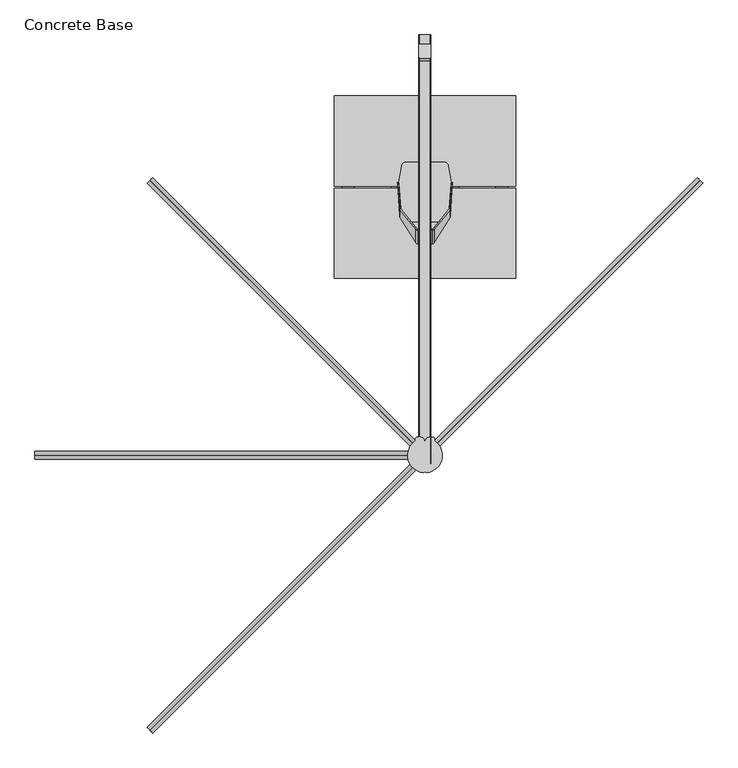
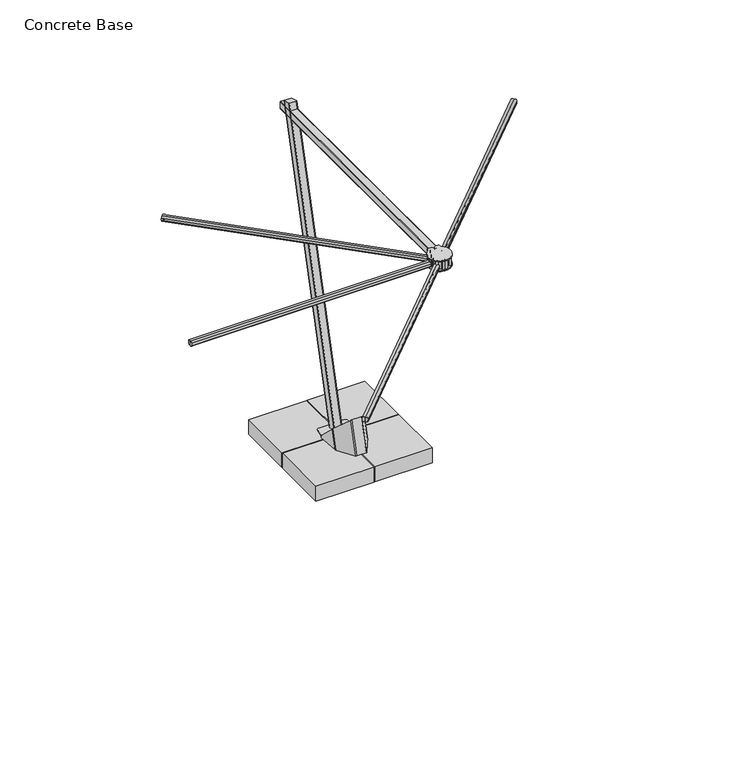
"""IFC4 building model written with IfcOpenShell, lengths in millimetres: furniture geometry, Concrete Base."""

from ifc_helpers import new_model, si_unit, point, frame, frame_2d, origin, origin_with_axes, origin_2d, place, context, project, spatial, polyline, circle_curve, ellipse_curve, trimmed, segment, composite_curve, outline, extrude, source, transform, mapped, element, save
from ifc_brep_helpers import plane_surface, cylinder_surface, revolved_surface, advanced_brep


def concrete_base_c86c8a26(model_context):
    return source(origin(), model_context, "Body", "SolidModel", [
        advanced_brep(
        [(-33.822246, 887.0321028, 113.6519289), (-29.6352703, 884.8404003, 114.2313893), (29.6352703, 884.8404003, 114.2313893), (33.822246, 887.0321028, 113.6519289), (34.8454757, 888.54763, 113.2512413), (40.8163725, 888.54763, 113.2512413), (38.0092217, 884.3898996, 114.3504964), (29.6352703, 880.0064945, 115.5094172), (-29.6352703, 880.0064945, 115.5094172), (-38.0092217, 884.3898996, 114.3504964), (-40.8163725, 888.54763, 113.2512413), (-34.8454757, 888.54763, 113.2512413), (-105.9054522, 1026.945652, 237.2767791), (-105.9054522, 994.1547574, 113.2512413), (-104.2988246, 989.1453001, 113.2512413), (-104.2988246, 1022.9836907, 241.2387403), (-38.0092217, 939.9031727, 324.3192583), (-29.6352703, 936.1940192, 328.0284118), (29.6352703, 936.1940192, 328.0284118), (38.0092217, 939.9031727, 324.3192583), (104.2988246, 989.1453001, 113.2512413), (104.2988246, 1022.9836907, 241.2387403), (105.9054522, 994.1547574, 113.2512413), (105.9054522, 1026.945652, 237.2767791), (114.4516967, 1135.7872376, 113.2512413), (113.7786087, 1130.1400169, 134.0824141), (100.9151627, 994.476925, 113.2512413), (100.9151627, 1027.2004532, 237.0219779), (108.7688793, 1130.1400169, 134.0824141), (109.4419673, 1135.7872376, 113.2512413), (100.1118489, 991.9721963, 113.2512413), (100.1118489, 1025.2194725, 239.0029585), (33.822246, 942.1389545, 322.0834765), (29.6352703, 940.2843778, 323.9380533), (-29.6352703, 940.2843778, 323.9380533), (-33.822246, 942.1389545, 322.0834765), (-100.1118489, 991.9721963, 113.2512413), (-100.1118489, 1025.2194725, 239.0029585), (-100.9151627, 994.476925, 113.2512413), (-100.9151627, 1027.2004532, 237.0219779), (-109.4419673, 1135.7872376, 113.2512413), (-108.7688793, 1130.1400169, 134.0824141), (-113.7786087, 1130.1400169, 134.0824141), (-114.4516967, 1135.7872376, 113.2512413)],
        [
            (0, 1, circle_curve(frame((-29.6352703, 889.674306, 112.9533614), z_axis=(0.0, 0.255605574331314, 0.9667811491598082), x_axis=(1.0, 0.0, 0.0)), 5.0)),
            (1, 2),
            (2, 3, circle_curve(frame((29.6352703, 889.674306, 112.9533614), z_axis=(0.0, 0.255605574331314, 0.9667811491598082), x_axis=(-1.0, 0.0, 0.0)), 5.0)),
            (3, 4),
            (4, 5),
            (5, 6),
            (6, 7, circle_curve(frame((29.6352703, 889.674306, 112.9533614), z_axis=(0.0, -0.255605574331314, -0.9667811491598082), x_axis=(-1.0, 0.0, 0.0)), 10.0)),
            (7, 8),
            (8, 9, circle_curve(frame((-29.6352703, 889.674306, 112.9533614), z_axis=(0.0, -0.255605574331314, -0.9667811491598082), x_axis=(1.0, 0.0, 0.0)), 10.0)),
            (9, 10),
            (10, 11),
            (11, 0),
            (12, 13),
            (13, 14, ellipse_curve(frame((-95.9248732, 994.7990925, 113.2512413), z_axis=(0.0, 0.0, 1.0), x_axis=(0.0, 1.0, 0.0)), 10.3436026, 10.0)),
            (14, 15),
            (15, 12, ellipse_curve(frame((-95.9248732, 1027.4552543, 236.7671767), z_axis=(0.0, -0.7071067811865491, -0.7071067811865459), x_axis=(0.0, -0.707106781186546, 0.707106781186549)), 11.5692811, 10.0)),
            (9, 16),
            (16, 15),
            (14, 10),
            (8, 17),
            (17, 16, ellipse_curve(frame((-29.6352703, 944.3747363, 319.8476947), z_axis=(0.0, -0.7071067811865491, -0.7071067811865459), x_axis=(0.0, -0.707106781186546, 0.707106781186549)), 11.5692811, 10.0)),
            (7, 18),
            (18, 17),
            (6, 19),
            (19, 18, ellipse_curve(frame((29.6352703, 944.3747363, 319.8476947), z_axis=(0.0, -0.7071067811865491, -0.7071067811865459), x_axis=(0.0, -0.707106781186546, 0.707106781186549)), 11.5692811, 10.0)),
            (5, 20),
            (20, 21),
            (21, 19),
            (20, 22, ellipse_curve(frame((95.9248732, 994.7990925, 113.2512413), z_axis=(0.0, 0.0, 1.0), x_axis=(0.0, 1.0, 0.0)), 10.3436026, 10.0)),
            (22, 23),
            (23, 21, ellipse_curve(frame((95.9248732, 1027.4552543, 236.7671767), z_axis=(0.0, -0.7071067811865491, -0.7071067811865459), x_axis=(0.0, -0.707106781186546, 0.707106781186549)), 11.5692811, 10.0)),
            (22, 24),
            (24, 25),
            (25, 23),
            (26, 27),
            (27, 28),
            (28, 29),
            (29, 26),
            (26, 30, ellipse_curve(frame((95.9248732, 994.7990925, 113.2512413), z_axis=(0.0, 0.0, -1.0), x_axis=(0.0, -1.0, 0.0)), 5.1718013, 5.0)),
            (30, 31),
            (31, 27, ellipse_curve(frame((95.9248732, 1027.4552543, 236.7671767), z_axis=(0.0, 0.7071067811865491, 0.7071067811865459), x_axis=(0.0, 0.707106781186546, -0.707106781186549)), 5.7846406, 5.0)),
            (3, 32),
            (32, 31),
            (30, 4),
            (2, 33),
            (33, 32, ellipse_curve(frame((29.6352703, 944.3747363, 319.8476947), z_axis=(0.0, 0.7071067811865491, 0.7071067811865459), x_axis=(0.0, 0.707106781186546, -0.707106781186549)), 5.7846406, 5.0)),
            (1, 34),
            (34, 33),
            (0, 35),
            (35, 34, ellipse_curve(frame((-29.6352703, 944.3747363, 319.8476947), z_axis=(0.0, 0.7071067811865491, 0.7071067811865459), x_axis=(0.0, 0.707106781186546, -0.707106781186549)), 5.7846406, 5.0)),
            (11, 36),
            (36, 37),
            (37, 35),
            (36, 38, ellipse_curve(frame((-95.9248732, 994.7990925, 113.2512413), z_axis=(0.0, 0.0, -1.0), x_axis=(0.0, -1.0, 0.0)), 5.1718013, 5.0)),
            (38, 39),
            (39, 37, ellipse_curve(frame((-95.9248732, 1027.4552543, 236.7671767), z_axis=(0.0, 0.7071067811865491, 0.7071067811865459), x_axis=(0.0, 0.707106781186546, -0.707106781186549)), 5.7846406, 5.0)),
            (38, 40),
            (40, 41),
            (41, 39),
            (12, 42),
            (42, 43),
            (43, 13),
            (25, 28),
            (41, 42),
            (24, 29),
            (40, 43),
        ],
        [
            plane_surface(frame((0.0, 911.8996002, 107.0772549), z_axis=(0.0, -0.255605574331314, -0.9667811491598082), x_axis=(1.0, 0.0, 0.0))),
            cylinder_surface(frame((-95.9248732, 1055.5927144, 343.1919528), z_axis=(0.0, 0.255605574331314, 0.9667811491598082), x_axis=(1.0, 0.0, 0.0)), 10.0),
            plane_surface(frame((-104.2988246, 1050.308308, 344.5890877), z_axis=(-0.8373951451268364, -0.5284406401930573, 0.13971349509033257), x_axis=(0.0, -0.25560557433131426, -0.9667811491598081))),
            cylinder_surface(frame((-29.6352703, 957.4097832, 369.150366), z_axis=(0.0, 0.255605574331314, 0.9667811491598082), x_axis=(1.0, 0.0, 0.0)), 10.0),
            plane_surface(frame((-29.6352703, 947.7419717, 371.7064217), z_axis=(0.0, -0.9667811491598081, 0.25560557433131426), x_axis=(0.0, -0.25560557433131426, -0.9667811491598081))),
            cylinder_surface(frame((29.6352703, 957.4097832, 369.150366), z_axis=(0.0, 0.255605574331314, 0.9667811491598082), x_axis=(-1.0, 0.0, 0.0)), 10.0),
            plane_surface(frame((38.0092217, 952.1253768, 370.5475009), z_axis=(0.8373951451268363, -0.5284406401930632, 0.13971349509031042), x_axis=(0.0, -0.2556055743313132, -0.9667811491598083))),
            cylinder_surface(frame((95.9248732, 1055.5927144, 343.1919528), z_axis=(0.0, 0.255605574331314, 0.9667811491598082), x_axis=(-1.0, 0.0, 0.0)), 10.0),
            plane_surface(frame((105.9054522, 1054.9904764, 343.3511775), z_axis=(0.9980578983179778, -0.06022380487118141, 0.01592246626434535), x_axis=(0.0, -0.25560557433131426, -0.9667811491598081))),
            plane_surface(frame((110.4057951, 1202.2989443, 304.4045497), z_axis=(-0.9980578983179778, 0.06022380487118148, -0.015922466264345264), x_axis=(0.0, -0.2556055743313137, -0.9667811491598082))),
            revolved_surface(polyline([(90.9248732, 994.461196966102, 111.97321342297556), (90.9248732, 1028.1988014823523, 239.5795074149915)]), (95.9248732, 1055.5927144, 343.1919528), (0.0, -0.255605574331314, -0.9667811491598082)),
            plane_surface(frame((100.1118489, 1052.9505112, 343.8905203), z_axis=(-0.8373951451268363, 0.5284406401930631, -0.1397134950903108), x_axis=(0.0, -0.25560557433131376, -0.9667811491598082))),
            revolved_surface(polyline([(24.6352703, 889.6743059841049, 112.95336140420244), (24.6352703, 945.1182835051063, 322.66002543910207)]), (29.6352703, 957.4097832, 369.150366), (0.0, -0.255605574331314, -0.9667811491598082)),
            plane_surface(frame((29.6352703, 952.5758775, 370.4283938), z_axis=(0.0, 0.9667811491598082, -0.25560557433131376), x_axis=(0.0, -0.25560557433131376, -0.9667811491598082))),
            revolved_surface(polyline([(-24.6352703, 889.6743059841049, 112.95336140420244), (-24.6352703, 945.1182835051063, 322.66002543910207)]), (-29.6352703, 957.4097832, 369.150366), (0.0, -0.255605574331314, -0.9667811491598082)),
            plane_surface(frame((-33.822246, 954.76758, 369.8489334), z_axis=(0.8373951451268364, 0.5284406401930574, -0.13971349509033237), x_axis=(0.0, -0.25560557433131376, -0.9667811491598082))),
            revolved_surface(polyline([(-90.9248732, 994.461196966102, 111.97321342297556), (-90.9248732, 1028.1988014823523, 239.5795074149915)]), (-95.9248732, 1055.5927144, 343.1919528), (0.0, -0.255605574331314, -0.9667811491598082)),
            plane_surface(frame((-100.9151627, 1055.2915954, 343.2715651), z_axis=(0.9980578983179779, 0.06022380487117469, -0.015922466264370983), x_axis=(0.0, -0.2556055743313142, -0.9667811491598081))),
            plane_surface(frame((-115.3960846, 1201.9978253, 304.484162), z_axis=(-0.9980578983179778, -0.06022380487117462, 0.015922466264371), x_axis=(0.0, -0.2556055743313137, -0.9667811491598082))),
            plane_surface(frame((203.9687176, 847.2973044, 416.9251266), z_axis=(0.0, 0.7071067811865491, 0.7071067811865459), x_axis=(-1.0, 0.0, 0.0))),
            plane_surface(frame((203.9687176, 1130.1400169, 134.0824141), z_axis=(0.0, 0.9651626901271211, 0.26165049510096294), x_axis=(-1.0, 0.0, 0.0))),
            plane_surface(frame((203.9687176, 1135.7872376, 113.2512413), z_axis=(0.0, 0.0, -1.0), x_axis=(-1.0, 0.0, 0.0))),
        ],
        [
            (0, [[1, 2, 3, 4, 5, 6, 7, 8, 9, 10, 11, 12]]),
            (1, [[13, 14, 15, 16]]),
            (2, [[-10, 17, 18, -15, 19]]),
            (3, [[-9, 20, 21, -17]]),
            (4, [[-8, 22, 23, -20]]),
            (5, [[-7, 24, 25, -22]]),
            (6, [[-6, 26, 27, 28, -24]]),
            (7, [[-27, 29, 30, 31]]),
            (8, [[-30, 32, 33, 34]]),
            (9, [[35, 36, 37, 38]]),
            (10, [[-35, 39, 40, 41]]),
            (11, [[-4, 42, 43, -40, 44]]),
            (12, [[-3, 45, 46, -42]]),
            (13, [[-2, 47, 48, -45]]),
            (14, [[-1, 49, 50, -47]]),
            (15, [[-12, 51, 52, 53, -49]]),
            (16, [[-52, 54, 55, 56]]),
            (17, [[-55, 57, 58, 59]]),
            (18, [[-13, 60, 61, 62]]),
            (19, [[63, -36, -41, -43, -46, -48, -50, -53, -56, -59, 64, -60, -16, -18, -21, -23, -25, -28, -31, -34]]),
            (20, [[-63, -33, 65, -37]]),
            (20, [[-64, -58, 66, -61]]),
            (21, [[-65, -32, -29, -26, -5, -44, -39, -38]]),
            (21, [[-66, -57, -54, -51, -11, -19, -14, -62]]),
        ],
    ),
        extrude(outline(composite_curve([segment(polyline([(88.7227697, 972.6817306), (-88.7228757, 972.6818958), (-99.4413408, 989.3955423)]), True, "CONTINUOUS"), segment(trimmed(circle_curve(frame_2d((-95.2324703, 992.0946919)), 5.0), [point((-99.4413408, 989.3955423))], [point((-100.2221308, 991.7733072))], False, "CARTESIAN"), True, "CONTINUOUS"), segment(polyline([(-100.2221308, 991.7733072), (-109.3968145, 1134.214923)]), True, "CONTINUOUS"), segment(trimmed(circle_curve(frame_2d((-99.4174935, 1134.8576924)), 10.0), [point((-109.3968145, 1134.214923))], [point((-109.2667547, 1136.5874477))], False, "CARTESIAN"), True, "CONTINUOUS"), segment(polyline([(-109.2667547, 1136.5874477), (-97.6409242, 1202.7851589)]), True, "CONTINUOUS"), segment(trimmed(circle_curve(frame_2d((-81.151669, 1202.7851589)), 16.4892551), [point((-97.6409242, 1202.7851589))], [point((-81.151669, 1219.2744141))], False, "CARTESIAN"), True, "CONTINUOUS"), segment(polyline([(-81.151669, 1219.2744141), (81.1496979, 1219.2744141)]), True, "CONTINUOUS"), segment(trimmed(circle_curve(frame_2d((81.1496979, 1202.7851589)), 16.4892551), [point((81.1496979, 1219.2744141))], [point((97.638953, 1202.7851589))], False, "CARTESIAN"), True, "CONTINUOUS"), segment(polyline([(97.638953, 1202.7851589), (109.2693447, 1136.5076049)]), True, "CONTINUOUS"), segment(trimmed(circle_curve(frame_2d((99.4198441, 1134.7792135)), 10.0), [point((109.2693447, 1136.5076049))], [point((109.3991237, 1134.1358023))], False, "CARTESIAN"), True, "CONTINUOUS"), segment(polyline([(109.3991237, 1134.1358023), (100.220122, 991.7698862)]), True, "CONTINUOUS"), segment(trimmed(circle_curve(frame_2d((95.2304822, 992.0915918)), 5.0), [point((100.220122, 991.7698862))], [point((99.4393527, 989.3924421))], False, "CARTESIAN"), True, "CONTINUOUS"), segment(polyline([(99.4393527, 989.3924421), (88.7227697, 972.6817306)]), True, "CONTINUOUS")], self_intersect=False)), frame((0.0, 0.0, 113.2512413), z_axis=(0.0, 0.0, 1.0), x_axis=(1.0, 0.0, 0.0)), (0.0, 0.0, 1.0), 5.0558551),
        extrude(outline(polyline([(-3.9808253, 1495.5969372), (-3.9808253, 1120.4496323), (-378.136512, 1120.4496323), (-378.136512, 1495.5969372), (-3.9808253, 1495.5969372)])), frame((0.0, 0.0, 12.1343224), z_axis=(0.0, 0.0, 1.0), x_axis=(1.0, 0.0, 0.0)), (0.0, 0.0, 1.0), 101.1169189),
        extrude(outline(polyline([(-3.9808253, 1112.467198), (-3.9808253, 737.3198931), (-378.136512, 737.3198931), (-378.136512, 1112.467198), (-3.9808253, 1112.467198)])), frame((0.0, 0.0, 12.1343224), z_axis=(0.0, 0.0, 1.0), x_axis=(1.0, 0.0, 0.0)), (0.0, 0.0, 1.0), 101.1169189),
        extrude(outline(polyline([(3.9808253, 1495.5969372), (378.136512, 1495.5969372), (378.136512, 1120.4496323), (3.9808253, 1120.4496323), (3.9808253, 1495.5969372)])), frame((0.0, 0.0, 12.1343224), z_axis=(0.0, 0.0, 1.0), x_axis=(1.0, 0.0, 0.0)), (0.0, 0.0, 1.0), 101.1169189),
        extrude(outline(polyline([(3.9808253, 1112.467198), (378.136512, 1112.467198), (378.136512, 737.3198931), (3.9808253, 737.3198931), (3.9808253, 1112.467198)])), frame((0.0, 0.0, 12.1343224), z_axis=(0.0, 0.0, 1.0), x_axis=(1.0, 0.0, 0.0)), (0.0, 0.0, 1.0), 101.1169189),
        extrude(outline(composite_curve([segment(trimmed(circle_curve(frame_2d((120.8271179, 1237.6572128)), 19.9014924), [point((120.8271179, 1257.5587051))], [point((140.7286103, 1237.6572075))], False, "CARTESIAN"), True, "CONTINUOUS"), segment(polyline([(140.7286103, 1237.6572075), (140.7285467, 995.2594033)]), True, "CONTINUOUS"), segment(trimmed(circle_curve(frame_2d((120.8267546, 995.2594085)), 19.9017921), [point((140.7285467, 995.2594033))], [point((120.8267546, 975.3576164))], False, "CARTESIAN"), True, "CONTINUOUS"), segment(polyline([(120.8267546, 975.3576164), (-120.7720159, 975.3576164)]), True, "CONTINUOUS"), segment(trimmed(circle_curve(frame_2d((-120.7720159, 995.3122124)), 19.9545959), [point((-120.7720159, 975.3576164))], [point((-140.7266119, 995.3122176))], False, "CARTESIAN"), True, "CONTINUOUS"), segment(polyline([(-140.7266119, 995.3122176), (-140.7265483, 1237.6041144)]), True, "CONTINUOUS"), segment(trimmed(circle_curve(frame_2d((-120.7719523, 1237.6041092)), 19.9545959), [point((-140.7265483, 1237.6041144))], [point((-120.7719523, 1257.5587051))], False, "CARTESIAN"), True, "CONTINUOUS"), segment(polyline([(-120.7719523, 1257.5587051), (120.8271179, 1257.5587051)]), True, "CONTINUOUS")], self_intersect=False)), frame((0.0, 0.0, 9.1012665), z_axis=(0.0, 0.0, 1.0), x_axis=(1.0, 0.0, 0.0)), (0.0, 0.0, 1.0), 5.0678403),
        extrude(outline(composite_curve([segment(trimmed(circle_curve(frame_2d((-338.3185573, 1146.389328)), 4.9887943), [point((-343.3073516, 1146.3893219))], [point((-338.3185573, 1151.3781223))], False, "CARTESIAN"), True, "CONTINUOUS"), segment(polyline([(-338.3185573, 1151.3781223), (-298.514319, 1151.3781223)]), True, "CONTINUOUS"), segment(trimmed(circle_curve(frame_2d((-298.514319, 1146.416434)), 4.9616884), [point((-298.514319, 1151.3781223))], [point((-293.5526306, 1146.4164445))], False, "CARTESIAN"), True, "CONTINUOUS"), segment(polyline([(-293.5526306, 1146.4164445), (-293.5525033, 1086.4983904)]), True, "CONTINUOUS"), segment(trimmed(circle_curve(frame_2d((-298.5141373, 1086.4983798)), 4.961634), [point((-293.5525033, 1086.4983904))], [point((-298.5141283, 1081.5367458))], False, "CARTESIAN"), True, "CONTINUOUS"), segment(polyline([(-298.5141283, 1081.5367458), (-338.3184029, 1081.5366732)]), True, "CONTINUOUS"), segment(trimmed(circle_curve(frame_2d((-338.318412, 1086.5255402)), 4.9888669), [point((-338.3184029, 1081.5366732))], [point((-343.3072789, 1086.5255341))], False, "CARTESIAN"), True, "CONTINUOUS"), segment(polyline([(-343.3072789, 1086.5255341), (-343.3073516, 1146.3893219)]), True, "CONTINUOUS")], self_intersect=False)), origin_with_axes(), (0.0, 0.0, 1.0), 14.1560186),
        extrude(outline(composite_curve([segment(trimmed(circle_curve(frame_2d((298.5285351, 1146.3905997)), 4.9887943), [point((293.5397407, 1146.3905937))], [point((298.5285351, 1151.3793941))], False, "CARTESIAN"), True, "CONTINUOUS"), segment(polyline([(298.5285351, 1151.3793941), (338.3327733, 1151.3793941)]), True, "CONTINUOUS"), segment(trimmed(circle_curve(frame_2d((338.3327733, 1146.4177057)), 4.9616884), [point((338.3327733, 1151.3793941))], [point((343.2944617, 1146.4177162))], False, "CARTESIAN"), True, "CONTINUOUS"), segment(polyline([(343.2944617, 1146.4177162), (343.294589, 1086.4996621)]), True, "CONTINUOUS"), segment(trimmed(circle_curve(frame_2d((338.332955, 1086.4996515)), 4.961634), [point((343.294589, 1086.4996621))], [point((338.3329641, 1081.5380176))], False, "CARTESIAN"), True, "CONTINUOUS"), segment(polyline([(338.3329641, 1081.5380176), (298.5286894, 1081.5379449)]), True, "CONTINUOUS"), segment(trimmed(circle_curve(frame_2d((298.5286803, 1086.5268119)), 4.9888669), [point((298.5286894, 1081.5379449))], [point((293.5398134, 1086.5268058))], False, "CARTESIAN"), True, "CONTINUOUS"), segment(polyline([(293.5398134, 1086.5268058), (293.5397407, 1146.3905937)]), True, "CONTINUOUS")], self_intersect=False)), origin_with_axes(), (0.0, 0.0, 1.0), 14.1560186),
        extrude(outline(composite_curve([segment(trimmed(circle_curve(frame_2d((-29.9376757, 778.1458577)), 4.9887943), [point((-29.9376696, 773.1570633))], [point((-34.92647, 778.1458577))], False, "CARTESIAN"), True, "CONTINUOUS"), segment(polyline([(-34.92647, 778.1458577), (-34.92647, 817.9500959)]), True, "CONTINUOUS"), segment(trimmed(circle_curve(frame_2d((-29.9647816, 817.9500959)), 4.9616884), [point((-34.92647, 817.9500959))], [point((-29.9647922, 822.9117843))], False, "CARTESIAN"), True, "CONTINUOUS"), segment(polyline([(-29.9647922, 822.9117843), (29.953262, 822.9119116)]), True, "CONTINUOUS"), segment(trimmed(circle_curve(frame_2d((29.9532725, 817.9502776)), 4.961634), [point((29.953262, 822.9119116))], [point((34.9149065, 817.9502867))], False, "CARTESIAN"), True, "CONTINUOUS"), segment(polyline([(34.9149065, 817.9502867), (34.9149791, 778.1460121)]), True, "CONTINUOUS"), segment(trimmed(circle_curve(frame_2d((29.9261122, 778.146003)), 4.9888669), [point((34.9149791, 778.1460121))], [point((29.9261182, 773.157136))], False, "CARTESIAN"), True, "CONTINUOUS"), segment(polyline([(29.9261182, 773.157136), (-29.9376696, 773.1570633)]), True, "CONTINUOUS")], self_intersect=False)), origin_with_axes(), (0.0, 0.0, 1.0), 14.1560186),
        extrude(outline(composite_curve([segment(trimmed(circle_curve(frame_2d((-29.9389474, 1414.99295)), 4.9887943), [point((-29.9389413, 1410.0041557))], [point((-34.9277417, 1414.99295))], False, "CARTESIAN"), True, "CONTINUOUS"), segment(polyline([(-34.9277417, 1414.99295), (-34.9277417, 1454.7971883)]), True, "CONTINUOUS"), segment(trimmed(circle_curve(frame_2d((-29.9660534, 1454.7971883)), 4.9616884), [point((-34.9277417, 1454.7971883))], [point((-29.9660639, 1459.7588766))], False, "CARTESIAN"), True, "CONTINUOUS"), segment(polyline([(-29.9660639, 1459.7588766), (29.9519903, 1459.7590039)]), True, "CONTINUOUS"), segment(trimmed(circle_curve(frame_2d((29.9520008, 1454.7973699)), 4.961634), [point((29.9519903, 1459.7590039))], [point((34.9136348, 1454.797379))], False, "CARTESIAN"), True, "CONTINUOUS"), segment(polyline([(34.9136348, 1454.797379), (34.9137074, 1414.9931044)]), True, "CONTINUOUS"), segment(trimmed(circle_curve(frame_2d((29.9248404, 1414.9930953)), 4.9888669), [point((34.9137074, 1414.9931044))], [point((29.9248465, 1410.0042283))], False, "CARTESIAN"), True, "CONTINUOUS"), segment(polyline([(29.9248465, 1410.0042283), (-29.9389413, 1410.0041557)]), True, "CONTINUOUS")], self_intersect=False)), origin_with_axes(), (0.0, 0.0, 1.0), 14.1560186),
        extrude(outline(composite_curve([segment(trimmed(circle_curve(frame_2d((-19.9021191, 1146.389328)), 4.9887943), [point((-24.8909135, 1146.3893219))], [point((-19.9021191, 1151.3781223))], False, "CARTESIAN"), True, "CONTINUOUS"), segment(polyline([(-19.9021191, 1151.3781223), (19.9021191, 1151.3781223)]), True, "CONTINUOUS"), segment(trimmed(circle_curve(frame_2d((19.9021191, 1146.416434)), 4.9616884), [point((19.9021191, 1151.3781223))], [point((24.8638075, 1146.4164445))], False, "CARTESIAN"), True, "CONTINUOUS"), segment(polyline([(24.8638075, 1146.4164445), (24.8639348, 1086.4983904)]), True, "CONTINUOUS"), segment(trimmed(circle_curve(frame_2d((19.9023008, 1086.4983798)), 4.961634), [point((24.8639348, 1086.4983904))], [point((19.9023099, 1081.5367458))], False, "CARTESIAN"), True, "CONTINUOUS"), segment(polyline([(19.9023099, 1081.5367458), (-19.9019647, 1081.5366732)]), True, "CONTINUOUS"), segment(trimmed(circle_curve(frame_2d((-19.9019738, 1086.5255402)), 4.9888669), [point((-19.9019647, 1081.5366732))], [point((-24.8908408, 1086.5255341))], False, "CARTESIAN"), True, "CONTINUOUS"), segment(polyline([(-24.8908408, 1086.5255341), (-24.8909135, 1146.3893219)]), True, "CONTINUOUS")], self_intersect=False)), origin_with_axes(), (0.0, 0.0, 1.0), 14.1560186),
        advanced_brep(
        [(-25.0511311, 1708.2353098, 2053.6657142), (-25.0511311, 1654.4425537, 2067.8662872), (-22.5511311, 1652.0253612, 2068.5043939), (22.2036353, 1652.0253612, 2068.5043939), (24.7036353, 1654.4425537, 2067.8662872), (24.7036353, 1708.2353098, 2053.6657142), (22.2036353, 1710.6525023, 2053.0276075), (-22.5511311, 1710.6525023, 2053.0276075), (-22.5511311, 1168.6804893, 0.0), (-25.0511311, 1166.0948451, 0.0), (22.2036353, 1168.6804893, 0.0), (24.7036353, 1166.0948451, 0.0), (24.7036353, 1108.5533264, 0.0), (22.2036353, 1105.9676822, 0.0), (-22.5511311, 1105.9676822, 0.0), (-25.0511311, 1108.5533264, 0.0)],
        [
            (0, 1),
            (1, 2, circle_curve(frame((-22.5511311, 1654.4425537, 2067.8662872), z_axis=(0.0, 0.25524268770223046, 0.9668770192607443), x_axis=(1.0, 0.0, 0.0)), 2.5)),
            (2, 3),
            (3, 4, circle_curve(frame((22.2036353, 1654.4425537, 2067.8662872), z_axis=(0.0, 0.25524268770223046, 0.9668770192607443), x_axis=(1.0, 0.0, 0.0)), 2.5)),
            (4, 5),
            (5, 6, circle_curve(frame((22.2036353, 1708.2353098, 2053.6657142), z_axis=(0.0, 0.25524268770223046, 0.9668770192607443), x_axis=(1.0, 0.0, 0.0)), 2.5)),
            (6, 7),
            (7, 0, circle_curve(frame((-22.5511311, 1708.2353098, 2053.6657142), z_axis=(0.0, 0.25524268770223046, 0.9668770192607443), x_axis=(1.0, 0.0, 0.0)), 2.5)),
            (7, 8),
            (8, 9, ellipse_curve(frame((-22.5511311, 1166.0948451, 0.0), z_axis=(0.0, 0.0, 1.0), x_axis=(0.0, -1.0, 0.0)), 2.5856442, 2.5)),
            (9, 0),
            (6, 10),
            (10, 8),
            (5, 11),
            (11, 10, ellipse_curve(frame((22.2036353, 1166.0948451, 0.0), z_axis=(0.0, 0.0, 1.0), x_axis=(0.0, -1.0, 0.0)), 2.5856442, 2.5)),
            (4, 12),
            (12, 11),
            (3, 13),
            (13, 12, ellipse_curve(frame((22.2036353, 1108.5533264, 0.0), z_axis=(0.0, 0.0, 1.0), x_axis=(0.0, -1.0, 0.0)), 2.5856442, 2.5)),
            (2, 14),
            (14, 13),
            (1, 15),
            (15, 14, ellipse_curve(frame((-22.5511311, 1108.5533264, 0.0), z_axis=(0.0, 0.0, 1.0), x_axis=(0.0, -1.0, 0.0)), 2.5856442, 2.5)),
            (9, 15),
        ],
        [
            plane_surface(frame((-20.0511311, 1708.2353098, 2053.6657142), z_axis=(0.0, 0.25524268770223046, 0.9668770192607443), x_axis=(0.0, 0.9668770192607443, -0.25524268770223046))),
            cylinder_surface(frame((-22.5511311, 1708.2353098, 2053.6657142), z_axis=(0.0, -0.25524268770223046, -0.9668770192607443), x_axis=(1.0, 0.0, 0.0)), 2.5),
            plane_surface(frame((-22.5511311, 1144.624497, -91.1257688), z_axis=(0.0, 0.9668770192607442, -0.2552426877022305), x_axis=(0.0, 0.2552426877022305, 0.9668770192607442))),
            cylinder_surface(frame((22.2036353, 1708.2353098, 2053.6657142), z_axis=(0.0, -0.25524268770223046, -0.9668770192607443), x_axis=(1.0, 0.0, 0.0)), 2.5),
            plane_surface(frame((24.7036353, 1142.2073044, -90.4876621), z_axis=(1.0, 0.0, 0.0), x_axis=(0.0, 0.2552426877022305, 0.9668770192607442))),
            cylinder_surface(frame((22.2036353, 1654.4425537, 2067.8662872), z_axis=(0.0, -0.25524268770223046, -0.9668770192607443), x_axis=(1.0, 0.0, 0.0)), 2.5),
            plane_surface(frame((22.2036353, 1085.9973558, -75.6489824), z_axis=(0.0, -0.9668770192607443, 0.2552426877022305), x_axis=(0.0, 0.2552426877022305, 0.9668770192607443))),
            cylinder_surface(frame((-22.5511311, 1654.4425537, 2067.8662872), z_axis=(0.0, -0.25524268770223046, -0.9668770192607443), x_axis=(1.0, 0.0, 0.0)), 2.5),
            plane_surface(frame((-25.0511311, 1088.4145484, -76.2870891), z_axis=(-1.0000000000000002, 0.0, 0.0), x_axis=(0.0, 0.2552426877022305, 0.9668770192607443))),
            plane_surface(frame((250.0, 1307.8248584, 0.0), z_axis=(0.0, 0.0, -1.0), x_axis=(-1.0, 0.0, 0.0))),
        ],
        [
            (0, [[1, 2, 3, 4, 5, 6, 7, 8]]),
            (1, [[-8, 9, 10, 11]]),
            (2, [[-7, 12, 13, -9]]),
            (3, [[-6, 14, 15, -12]]),
            (4, [[-5, 16, 17, -14]]),
            (5, [[-4, 18, 19, -16]]),
            (6, [[-3, 20, 21, -18]]),
            (7, [[-2, 22, 23, -20]]),
            (8, [[-1, -11, 24, -22]]),
            (9, [[-10, -13, -15, -17, -19, -21, -23, -24]]),
        ],
    ),
        advanced_brep(
        [(16.2870517, 0.0, 2000.2326571), (-16.2870517, 0.0, 2000.2326571), (0.0, 0.0, 2000.2326571), (16.2870517, 0.0, 1965.7051642), (-16.2870517, 0.0, 1965.7051642), (20.1934078, 0.0, 1955.6090726), (-20.1934078, 0.0, 1955.6090726), (0.0, 0.0, 1909.9274535)],
        [
            (0, 1, circle_curve(frame((0.0, 0.0, 2000.2326571), z_axis=(0.0, 0.0, 1.0), x_axis=(-1.0, 0.0, 0.0)), 16.2870517)),
            (1, 2),
            (2, 0),
            (1, 0, circle_curve(frame((0.0, 0.0, 2000.2326571), z_axis=(0.0, 0.0, 1.0), x_axis=(-1.0, 0.0, 0.0)), 16.2870517)),
            (3, 4, circle_curve(frame((0.0, 0.0, 1965.7051642), z_axis=(0.0, 0.0, 1.0), x_axis=(-1.0, 0.0, 0.0)), 16.2870517)),
            (4, 1),
            (0, 3),
            (4, 3, circle_curve(frame((0.0, 0.0, 1965.7051642), z_axis=(0.0, 0.0, 1.0), x_axis=(-1.0, 0.0, 0.0)), 16.2870517)),
            (5, 6, circle_curve(frame((0.0, 0.0, 1955.6090726), z_axis=(0.0, 0.0, 1.0), x_axis=(-1.0, 0.0, 0.0)), 20.1934078)),
            (6, 4, circle_curve(frame((-31.2870517, 0.0, 1965.7051642), z_axis=(0.0, -1.0, 0.0), x_axis=(1.0, 0.0, 0.0)), 15.0)),
            (3, 5, circle_curve(frame((31.2870517, 0.0, 1965.7051642), z_axis=(0.0, -1.0, 0.0), x_axis=(-1.0, 0.0, 0.0)), 15.0)),
            (6, 5, circle_curve(frame((0.0, 0.0, 1955.6090726), z_axis=(0.0, 0.0, 1.0), x_axis=(-1.0, 0.0, 0.0)), 20.1934078)),
            (7, 6, circle_curve(frame((0.0, 0.0, 1937.2314774), z_axis=(0.0, 1.0, 0.0), x_axis=(1.0, 0.0, 0.0)), 27.304024)),
            (5, 7, circle_curve(frame((0.0, 0.0, 1937.2314774), z_axis=(0.0, 1.0, 0.0), x_axis=(-1.0, 0.0, 0.0)), 27.304024)),
        ],
        [
            plane_surface(frame((0.0, 0.0, 2000.2326571), z_axis=(0.0, 0.0, 1.0), x_axis=(-1.0, 0.0, 0.0))),
            cylinder_surface(frame((0.0, 0.0, 2043.311979), z_axis=(0.0, 0.0, -1.0), x_axis=(-1.0, 0.0, 0.0)), 16.2870517),
            revolved_surface(trimmed(ellipse_curve(frame((-31.2870517, 0.0, 1965.7051642), z_axis=(0.0, 1.0, 0.0), x_axis=(1.0, 0.0, 0.0)), 15.0, 15.0), [point((-16.2870517, 0.0, 1965.7051642))], [point((-20.1934078, 0.0, 1955.6090726))], True, "CARTESIAN"), (0.0, 0.0, 2043.311979), (0.0, 0.0, -1.0)),
            revolved_surface(trimmed(ellipse_curve(frame((0.0, 0.0, 1937.2314774), z_axis=(0.0, -1.0, 0.0), x_axis=(1.0, 0.0, 0.0)), 27.304024, 27.304024), [point((-20.1934078, 0.0, 1955.6090726))], [point((0.0, 0.0, 1909.9274535))], True, "CARTESIAN"), (0.0, 0.0, 2043.311979), (0.0, 0.0, -1.0)),
        ],
        [
            (0, [[1, 2, 3]]),
            (0, [[4, -3, -2]]),
            (1, [[5, 6, -1, 7]]),
            (1, [[8, -7, -4, -6]]),
            (2, [[9, 10, -5, 11]]),
            (2, [[12, -11, -8, -10]]),
            (3, [[13, -9, 14]]),
            (3, [[-14, -12, -13]]),
        ],
    ),
        extrude(outline(composite_curve([segment(trimmed(circle_curve(frame_2d((1975.1764069, -22.5511311)), 2.5), [point((1975.1764069, -25.0511311))], [point((1972.6764069, -22.5511311))], False, "CARTESIAN"), True, "CONTINUOUS"), segment(polyline([(1972.6764069, -22.5511311), (1972.6764069, 22.2036353)]), True, "CONTINUOUS"), segment(trimmed(circle_curve(frame_2d((1975.1764069, 22.2036353)), 2.5), [point((1972.6764069, 22.2036353))], [point((1975.1764069, 24.7036353))], False, "CARTESIAN"), True, "CONTINUOUS"), segment(polyline([(1975.1764069, 24.7036353), (2020.811979, 24.7036353)]), True, "CONTINUOUS"), segment(trimmed(circle_curve(frame_2d((2020.811979, 22.2036353)), 2.5), [point((2020.811979, 24.7036353))], [point((2023.311979, 22.2036353))], False, "CARTESIAN"), True, "CONTINUOUS"), segment(polyline([(2023.311979, 22.2036353), (2023.311979, -22.5511311)]), True, "CONTINUOUS"), segment(trimmed(circle_curve(frame_2d((2020.811979, -22.5511311)), 2.5), [point((2023.311979, -22.5511311))], [point((2020.811979, -25.0511311))], False, "CARTESIAN"), True, "CONTINUOUS"), segment(polyline([(2020.811979, -25.0511311), (1975.1764069, -25.0511311)]), True, "CONTINUOUS")], self_intersect=False)), frame((0.0, -34.3669203, 0.0), z_axis=(0.0, 1.0, 0.0), x_axis=(0.0, 0.0, 1.0)), (0.0, 0.0, 1.0), 1783.3906351),
        extrude(outline(composite_curve([segment(trimmed(circle_curve(frame_2d((-19.9017724, 56.4216031)), 7.9818772), [point((-27.8836496, 56.4216031))], [point((-11.9198953, 56.4216031))], False, "CARTESIAN"), True, "CONTINUOUS"), segment(trimmed(circle_curve(frame_2d((-19.9017724, 56.4216031)), 7.9818772), [point((-11.9198953, 56.4216031))], [point((-27.8836496, 56.4216031))], False, "CARTESIAN"), True, "CONTINUOUS")], self_intersect=False)), frame((0.0, 0.0, 1962.5492634), z_axis=(0.0, 0.0, 1.0), x_axis=(1.0, 0.0, 0.0)), (0.0, 0.0, 1.0), 60.7627155),
        extrude(outline(composite_curve([segment(trimmed(circle_curve(frame_2d((-42.2181655, 42.3115907)), 7.9818772), [point((-50.2000427, 42.3115907))], [point((-34.2362884, 42.3115907))], False, "CARTESIAN"), True, "CONTINUOUS"), segment(trimmed(circle_curve(frame_2d((-42.2181655, 42.3115907)), 7.9818772), [point((-34.2362884, 42.3115907))], [point((-50.2000427, 42.3115907))], False, "CARTESIAN"), True, "CONTINUOUS")], self_intersect=False)), frame((0.0, 0.0, 1962.5492634), z_axis=(0.0, 0.0, 1.0), x_axis=(1.0, 0.0, 0.0)), (0.0, 0.0, 1.0), 60.7627155),
        extrude(outline(composite_curve([segment(trimmed(circle_curve(frame_2d((-34.8281892, 20.2469389)), 7.9818772), [point((-42.8100664, 20.2469389))], [point((-26.846312, 20.2469389))], False, "CARTESIAN"), True, "CONTINUOUS"), segment(trimmed(circle_curve(frame_2d((-34.8281892, 20.2469389)), 7.9818772), [point((-26.846312, 20.2469389))], [point((-42.8100664, 20.2469389))], False, "CARTESIAN"), True, "CONTINUOUS")], self_intersect=False)), frame((0.0, 0.0, 1962.5492634), z_axis=(0.0, 0.0, 1.0), x_axis=(1.0, 0.0, 0.0)), (0.0, 0.0, 1.0), 60.7627155),
        extrude(outline(composite_curve([segment(trimmed(circle_curve(frame_2d((-59.7055202, -0.0186323)), 7.9818772), [point((-67.6873974, -0.0186323))], [point((-51.723643, -0.0186323))], False, "CARTESIAN"), True, "CONTINUOUS"), segment(trimmed(circle_curve(frame_2d((-59.7055202, -0.0186323)), 7.9818772), [point((-51.723643, -0.0186323))], [point((-67.6873974, -0.0186323))], False, "CARTESIAN"), True, "CONTINUOUS")], self_intersect=False)), frame((0.0, 0.0, 1962.5492634), z_axis=(0.0, 0.0, 1.0), x_axis=(1.0, 0.0, 0.0)), (0.0, 0.0, 1.0), 60.7627155),
        extrude(outline(composite_curve([segment(trimmed(circle_curve(frame_2d((-43.2116596, -18.2831425)), 7.9818772), [point((-51.1935368, -18.2831425))], [point((-35.2297824, -18.2831425))], False, "CARTESIAN"), True, "CONTINUOUS"), segment(trimmed(circle_curve(frame_2d((-43.2116596, -18.2831425)), 7.9818772), [point((-35.2297824, -18.2831425))], [point((-51.1935368, -18.2831425))], False, "CARTESIAN"), True, "CONTINUOUS")], self_intersect=False)), frame((0.0, 0.0, 1962.5492634), z_axis=(0.0, 0.0, 1.0), x_axis=(1.0, 0.0, 0.0)), (0.0, 0.0, 1.0), 60.7627155),
        extrude(outline(composite_curve([segment(trimmed(circle_curve(frame_2d((-42.2181519, -42.3487975)), 7.9818772), [point((-50.2000291, -42.3487975))], [point((-34.2362747, -42.3487975))], False, "CARTESIAN"), True, "CONTINUOUS"), segment(trimmed(circle_curve(frame_2d((-42.2181519, -42.3487975)), 7.9818772), [point((-34.2362747, -42.3487975))], [point((-50.2000291, -42.3487975))], False, "CARTESIAN"), True, "CONTINUOUS")], self_intersect=False)), frame((0.0, 0.0, 1962.5492634), z_axis=(0.0, 0.0, 1.0), x_axis=(1.0, 0.0, 0.0)), (0.0, 0.0, 1.0), 60.7627155),
        extrude(outline(composite_curve([segment(trimmed(circle_curve(frame_2d((-21.8919489, -43.3150448)), 7.9818772), [point((-29.8738261, -43.3150448))], [point((-13.9100717, -43.3150448))], False, "CARTESIAN"), True, "CONTINUOUS"), segment(trimmed(circle_curve(frame_2d((-21.8919489, -43.3150448)), 7.9818772), [point((-13.9100717, -43.3150448))], [point((-29.8738261, -43.3150448))], False, "CARTESIAN"), True, "CONTINUOUS")], self_intersect=False)), frame((0.0, 0.0, 1962.5492634), z_axis=(0.0, 0.0, 1.0), x_axis=(1.0, 0.0, 0.0)), (0.0, 0.0, 1.0), 60.7627155),
        extrude(outline(composite_curve([segment(trimmed(circle_curve(frame_2d((-8.458177, -59.2788142)), 7.9818772), [point((-16.4400542, -59.2788142))], [point((-0.4762998, -59.2788142))], False, "CARTESIAN"), True, "CONTINUOUS"), segment(trimmed(circle_curve(frame_2d((-8.458177, -59.2788142)), 7.9818772), [point((-0.4762998, -59.2788142))], [point((-16.4400542, -59.2788142))], False, "CARTESIAN"), True, "CONTINUOUS")], self_intersect=False)), frame((0.0, 0.0, 1962.5492634), z_axis=(0.0, 0.0, 1.0), x_axis=(1.0, 0.0, 0.0)), (0.0, 0.0, 1.0), 60.7627155),
        extrude(outline(composite_curve([segment(trimmed(circle_curve(frame_2d((19.9017724, 56.4216031)), 7.9818772), [point((27.8836496, 56.4216031))], [point((11.9198953, 56.4216031))], False, "CARTESIAN"), True, "CONTINUOUS"), segment(trimmed(circle_curve(frame_2d((19.9017724, 56.4216031)), 7.9818772), [point((11.9198953, 56.4216031))], [point((27.8836496, 56.4216031))], False, "CARTESIAN"), True, "CONTINUOUS")], self_intersect=False)), frame((0.0, 0.0, 1962.5492634), z_axis=(0.0, 0.0, 1.0), x_axis=(1.0, 0.0, 0.0)), (0.0, 0.0, 1.0), 60.7627155),
        extrude(outline(composite_curve([segment(trimmed(circle_curve(frame_2d((42.2181655, 42.3115907)), 7.9818772), [point((50.2000427, 42.3115907))], [point((34.2362884, 42.3115907))], False, "CARTESIAN"), True, "CONTINUOUS"), segment(trimmed(circle_curve(frame_2d((42.2181655, 42.3115907)), 7.9818772), [point((34.2362884, 42.3115907))], [point((50.2000427, 42.3115907))], False, "CARTESIAN"), True, "CONTINUOUS")], self_intersect=False)), frame((0.0, 0.0, 1962.5492634), z_axis=(0.0, 0.0, 1.0), x_axis=(1.0, 0.0, 0.0)), (0.0, 0.0, 1.0), 60.7627155),
        extrude(outline(composite_curve([segment(trimmed(circle_curve(frame_2d((34.8281892, 20.2469389)), 7.9818772), [point((42.8100664, 20.2469389))], [point((26.846312, 20.2469389))], False, "CARTESIAN"), True, "CONTINUOUS"), segment(trimmed(circle_curve(frame_2d((34.8281892, 20.2469389)), 7.9818772), [point((26.846312, 20.2469389))], [point((42.8100664, 20.2469389))], False, "CARTESIAN"), True, "CONTINUOUS")], self_intersect=False)), frame((0.0, 0.0, 1962.5492634), z_axis=(0.0, 0.0, 1.0), x_axis=(1.0, 0.0, 0.0)), (0.0, 0.0, 1.0), 60.7627155),
        extrude(outline(composite_curve([segment(trimmed(circle_curve(frame_2d((59.7055202, -0.0186323)), 7.9818772), [point((67.6873974, -0.0186323))], [point((51.723643, -0.0186323))], False, "CARTESIAN"), True, "CONTINUOUS"), segment(trimmed(circle_curve(frame_2d((59.7055202, -0.0186323)), 7.9818772), [point((51.723643, -0.0186323))], [point((67.6873974, -0.0186323))], False, "CARTESIAN"), True, "CONTINUOUS")], self_intersect=False)), frame((0.0, 0.0, 1962.5492634), z_axis=(0.0, 0.0, 1.0), x_axis=(1.0, 0.0, 0.0)), (0.0, 0.0, 1.0), 60.7627155),
        extrude(outline(composite_curve([segment(trimmed(circle_curve(frame_2d((43.2116596, -18.2831425)), 7.9818772), [point((51.1935368, -18.2831425))], [point((35.2297824, -18.2831425))], False, "CARTESIAN"), True, "CONTINUOUS"), segment(trimmed(circle_curve(frame_2d((43.2116596, -18.2831425)), 7.9818772), [point((35.2297824, -18.2831425))], [point((51.1935368, -18.2831425))], False, "CARTESIAN"), True, "CONTINUOUS")], self_intersect=False)), frame((0.0, 0.0, 1962.5492634), z_axis=(0.0, 0.0, 1.0), x_axis=(1.0, 0.0, 0.0)), (0.0, 0.0, 1.0), 60.7627155),
        extrude(outline(composite_curve([segment(trimmed(circle_curve(frame_2d((42.2181519, -42.3487975)), 7.9818772), [point((50.2000291, -42.3487975))], [point((34.2362747, -42.3487975))], False, "CARTESIAN"), True, "CONTINUOUS"), segment(trimmed(circle_curve(frame_2d((42.2181519, -42.3487975)), 7.9818772), [point((34.2362747, -42.3487975))], [point((50.2000291, -42.3487975))], False, "CARTESIAN"), True, "CONTINUOUS")], self_intersect=False)), frame((0.0, 0.0, 1962.5492634), z_axis=(0.0, 0.0, 1.0), x_axis=(1.0, 0.0, 0.0)), (0.0, 0.0, 1.0), 60.7627155),
        extrude(outline(composite_curve([segment(trimmed(circle_curve(frame_2d((21.8919489, -43.3150448)), 7.9818772), [point((29.8738261, -43.3150448))], [point((13.9100717, -43.3150448))], False, "CARTESIAN"), True, "CONTINUOUS"), segment(trimmed(circle_curve(frame_2d((21.8919489, -43.3150448)), 7.9818772), [point((13.9100717, -43.3150448))], [point((29.8738261, -43.3150448))], False, "CARTESIAN"), True, "CONTINUOUS")], self_intersect=False)), frame((0.0, 0.0, 1962.5492634), z_axis=(0.0, 0.0, 1.0), x_axis=(1.0, 0.0, 0.0)), (0.0, 0.0, 1.0), 60.7627155),
        extrude(outline(composite_curve([segment(trimmed(circle_curve(frame_2d((8.458177, -59.2788142)), 7.9818772), [point((16.4400542, -59.2788142))], [point((0.4762998, -59.2788142))], False, "CARTESIAN"), True, "CONTINUOUS"), segment(trimmed(circle_curve(frame_2d((8.458177, -59.2788142)), 7.9818772), [point((0.4762998, -59.2788142))], [point((16.4400542, -59.2788142))], False, "CARTESIAN"), True, "CONTINUOUS")], self_intersect=False)), frame((0.0, 0.0, 1962.5492634), z_axis=(0.0, 0.0, 1.0), x_axis=(1.0, 0.0, 0.0)), (0.0, 0.0, 1.0), 60.7627155),
        extrude(outline(composite_curve([segment(trimmed(circle_curve(origin_2d(), 71.8540359), [point((-4.5191853, -71.7117803))], [point((-43.9448682, 56.8493714))], False, "CARTESIAN"), True, "CONTINUOUS"), segment(trimmed(circle_curve(frame_2d((-50.573408, 65.424396)), 10.8382926), [point((-43.9448682, 56.8493714))], [point((-39.8036599, 64.2073863))], True, "CARTESIAN"), True, "CONTINUOUS"), segment(trimmed(circle_curve(frame_2d((-30.4249346, 66.8284602)), 9.7380962), [point((-39.8036599, 64.2073863))], [point((-32.3404595, 76.3763019))], False, "CARTESIAN"), True, "CONTINUOUS"), segment(trimmed(circle_curve(frame_2d((-26.121116, 45.3762832)), 31.6177387), [point((-32.3404595, 76.3763019))], [point((-5.4271234, 69.2810958))], False, "CARTESIAN"), True, "CONTINUOUS"), segment(polyline([(-5.4271234, 69.2810958), (0.0, 56.4219513), (5.4271234, 69.2810958)]), True, "CONTINUOUS"), segment(trimmed(circle_curve(frame_2d((26.121116, 45.3762832)), 31.6177387), [point((5.4271234, 69.2810958))], [point((32.3404595, 76.3763019))], False, "CARTESIAN"), True, "CONTINUOUS"), segment(trimmed(circle_curve(frame_2d((30.4249346, 66.8284602)), 9.7380962), [point((32.3404595, 76.3763019))], [point((39.8036599, 64.2073863))], False, "CARTESIAN"), True, "CONTINUOUS"), segment(trimmed(circle_curve(frame_2d((50.573408, 65.424396)), 10.8382926), [point((39.8036599, 64.2073863))], [point((43.9448682, 56.8493714))], True, "CARTESIAN"), True, "CONTINUOUS"), segment(trimmed(circle_curve(origin_2d(), 71.8540359), [point((43.9448682, 56.8493714))], [point((4.5191853, -71.7117803))], False, "CARTESIAN"), True, "CONTINUOUS"), segment(polyline([(4.5191853, -71.7117803), (0.0, -67.180579), (-4.5191853, -71.7117803)]), True, "CONTINUOUS")], self_intersect=False), holes=[composite_curve([segment(trimmed(circle_curve(origin_2d(), 27.3763878), [point((-27.3763878, 0.0))], [point((27.3763878, 0.0))], True, "CARTESIAN"), True, "CONTINUOUS"), segment(trimmed(circle_curve(origin_2d(), 27.3763878), [point((27.3763878, 0.0))], [point((-27.3763878, 0.0))], True, "CARTESIAN"), True, "CONTINUOUS")], self_intersect=False)]), frame((0.0, 0.0, 1957.4859097), z_axis=(0.0, 0.0, 1.0), x_axis=(1.0, 0.0, 0.0)), (0.0, 0.0, 1.0), 5.0634991),
        extrude(outline(composite_curve([segment(trimmed(circle_curve(origin_2d(), 71.8540359), [point((-4.5191853, -71.7117803))], [point((-43.9448682, 56.8493714))], False, "CARTESIAN"), True, "CONTINUOUS"), segment(trimmed(circle_curve(frame_2d((-50.573408, 65.424396)), 10.8382926), [point((-43.9448682, 56.8493714))], [point((-39.8036599, 64.2073863))], True, "CARTESIAN"), True, "CONTINUOUS"), segment(trimmed(circle_curve(frame_2d((-30.4249346, 66.8284602)), 9.7380962), [point((-39.8036599, 64.2073863))], [point((-32.3404595, 76.3763019))], False, "CARTESIAN"), True, "CONTINUOUS"), segment(trimmed(circle_curve(frame_2d((-26.121116, 45.3762832)), 31.6177387), [point((-32.3404595, 76.3763019))], [point((-5.4271234, 69.2810958))], False, "CARTESIAN"), True, "CONTINUOUS"), segment(polyline([(-5.4271234, 69.2810958), (0.0, 56.4219513), (5.4271234, 69.2810958)]), True, "CONTINUOUS"), segment(trimmed(circle_curve(frame_2d((26.121116, 45.3762832)), 31.6177387), [point((5.4271234, 69.2810958))], [point((32.3404595, 76.3763019))], False, "CARTESIAN"), True, "CONTINUOUS"), segment(trimmed(circle_curve(frame_2d((30.4249346, 66.8284602)), 9.7380962), [point((32.3404595, 76.3763019))], [point((39.8036599, 64.2073863))], False, "CARTESIAN"), True, "CONTINUOUS"), segment(trimmed(circle_curve(frame_2d((50.573408, 65.424396)), 10.8382926), [point((39.8036599, 64.2073863))], [point((43.9448682, 56.8493714))], True, "CARTESIAN"), True, "CONTINUOUS"), segment(trimmed(circle_curve(origin_2d(), 71.8540359), [point((43.9448682, 56.8493714))], [point((4.5191853, -71.7117803))], False, "CARTESIAN"), True, "CONTINUOUS"), segment(polyline([(4.5191853, -71.7117803), (0.0, -67.180579), (-4.5191853, -71.7117803)]), True, "CONTINUOUS")], self_intersect=False)), frame((0.0, 0.0, 2023.311979), z_axis=(0.0, 0.0, 1.0), x_axis=(1.0, 0.0, 0.0)), (0.0, 0.0, 1.0), 5.0634991),
        extrude(outline(composite_curve([segment(trimmed(circle_curve(frame_2d((16.1525025, -7.9608994)), 7.9608994), [point((16.1525025, 0.0))], [point((16.1525025, -15.9217987))], False, "CARTESIAN"), True, "CONTINUOUS"), segment(polyline([(16.1525025, -15.9217987), (0.0, -15.9217987)]), True, "CONTINUOUS"), segment(trimmed(circle_curve(frame_2d((0.0, -7.9608994)), 7.9608994), [point((0.0, -15.9217987))], [point((0.0, 0.0))], False, "CARTESIAN"), True, "CONTINUOUS"), segment(polyline([(0.0, 0.0), (16.1525025, 0.0)]), True, "CONTINUOUS")], self_intersect=False)), frame((-35.8942885, 59.1132428, 1975.2333729), z_axis=(-0.7071067811865462, 0.7071067811865489, 0.0), x_axis=(0.0, 0.0, 1.0)), (0.0, 0.0, 1.0), 1550.2894351),
        extrude(outline(composite_curve([segment(polyline([(16.1525025, -32.8365601), (0.0, -32.8365601)]), True, "CONTINUOUS"), segment(trimmed(circle_curve(frame_2d((0.0, -24.8756607)), 7.9608994), [point((0.0, -32.8365601))], [point((0.0, -16.9147613))], False, "CARTESIAN"), True, "CONTINUOUS"), segment(polyline([(0.0, -16.9147613), (16.1525025, -16.9147613)]), True, "CONTINUOUS"), segment(trimmed(circle_curve(frame_2d((16.1525025, -24.8756607)), 7.9608994), [point((16.1525025, -16.9147613))], [point((16.1525025, -32.8365601))], False, "CARTESIAN"), True, "CONTINUOUS")], self_intersect=False)), frame((-35.8942885, 59.1132428, 1975.2333729), z_axis=(-0.7071067811865462, 0.7071067811865489, 0.0), x_axis=(0.0, 0.0, 1.0)), (0.0, 0.0, 1.0), 1550.2894351),
        extrude(outline(composite_curve([segment(trimmed(circle_curve(frame_2d((-8.4573807, 1991.3858754)), 7.9608994), [point((-16.41828, 1991.3858754))], [point((-0.4964813, 1991.3858754))], False, "CARTESIAN"), True, "CONTINUOUS"), segment(polyline([(-0.4964813, 1991.3858754), (-0.4964813, 1975.2333729)]), True, "CONTINUOUS"), segment(trimmed(circle_curve(frame_2d((-8.4573807, 1975.2333729)), 7.9608994), [point((-0.4964813, 1975.2333729))], [point((-16.41828, 1975.2333729))], False, "CARTESIAN"), True, "CONTINUOUS"), segment(polyline([(-16.41828, 1975.2333729), (-16.41828, 1991.3858754)]), True, "CONTINUOUS")], self_intersect=False)), frame((-1622.7065305, 0.0, 0.0), z_axis=(1.0, 0.0, 0.0), x_axis=(0.0, 1.0, 0.0)), (0.0, 0.0, 1.0), 1555.5260609),
        extrude(outline(composite_curve([segment(polyline([(16.41828, 1991.3858754), (16.41828, 1975.2333729)]), True, "CONTINUOUS"), segment(trimmed(circle_curve(frame_2d((8.4573807, 1975.2333729)), 7.9608994), [point((16.41828, 1975.2333729))], [point((0.4964813, 1975.2333729))], False, "CARTESIAN"), True, "CONTINUOUS"), segment(polyline([(0.4964813, 1975.2333729), (0.4964813, 1991.3858754)]), True, "CONTINUOUS"), segment(trimmed(circle_curve(frame_2d((8.4573807, 1991.3858754)), 7.9608994), [point((0.4964813, 1991.3858754))], [point((16.41828, 1991.3858754))], False, "CARTESIAN"), True, "CONTINUOUS")], self_intersect=False)), frame((-1622.7065305, 0.0, 0.0), z_axis=(1.0, 0.0, 0.0), x_axis=(0.0, 1.0, 0.0)), (0.0, 0.0, 1.0), 1555.5260609),
        extrude(outline(composite_curve([segment(trimmed(circle_curve(frame_2d((0.0, -7.9608994)), 7.9608994), [point((0.0, -15.9217987))], [point((0.0, 0.0))], False, "CARTESIAN"), True, "CONTINUOUS"), segment(polyline([(0.0, 0.0), (16.1525025, 0.0)]), True, "CONTINUOUS"), segment(trimmed(circle_curve(frame_2d((16.1525025, -7.9608994)), 7.9608994), [point((16.1525025, 0.0))], [point((16.1525025, -15.9217987))], False, "CARTESIAN"), True, "CONTINUOUS"), segment(polyline([(16.1525025, -15.9217987), (0.0, -15.9217987)]), True, "CONTINUOUS")], self_intersect=False)), frame((-1142.965081, -1143.6672116, 1991.3858754), z_axis=(0.7071067811865462, 0.7071067811865489, 0.0), x_axis=(0.0, 0.0, -1.0)), (0.0, 0.0, 1.0), 1549.7127305),
        extrude(outline(composite_curve([segment(polyline([(0.0, 16.9147613), (16.1525025, 16.9147613)]), True, "CONTINUOUS"), segment(trimmed(circle_curve(frame_2d((16.1525025, 8.953862)), 7.9608994), [point((16.1525025, 16.9147613))], [point((16.1525025, 0.9929626))], False, "CARTESIAN"), True, "CONTINUOUS"), segment(polyline([(16.1525025, 0.9929626), (0.0, 0.9929626)]), True, "CONTINUOUS"), segment(trimmed(circle_curve(frame_2d((0.0, 8.953862)), 7.9608994), [point((0.0, 0.9929626))], [point((0.0, 16.9147613))], False, "CARTESIAN"), True, "CONTINUOUS")], self_intersect=False)), frame((-1142.965081, -1143.6672116, 1991.3858754), z_axis=(0.7071067811865462, 0.7071067811865489, 0.0), x_axis=(0.0, 0.0, -1.0)), (0.0, 0.0, 1.0), 1549.7127305),
        extrude(outline(composite_curve([segment(polyline([(0.0, -15.9217987), (-16.1525025, -15.9217987)]), True, "CONTINUOUS"), segment(trimmed(circle_curve(frame_2d((-16.1525025, -7.9608993)), 7.9608994), [point((-16.1525025, -15.9217987))], [point((-16.1525025, 0.0))], False, "CARTESIAN"), True, "CONTINUOUS"), segment(polyline([(-16.1525025, 0.0), (0.0, 0.0)]), True, "CONTINUOUS"), segment(trimmed(circle_curve(frame_2d((0.0, -7.9608993)), 7.9608994), [point((0.0, 0.0))], [point((0.0, -15.9217987))], False, "CARTESIAN"), True, "CONTINUOUS")], self_intersect=False)), frame((47.1527004, 47.854831, 1991.3858754), z_axis=(0.7071067811865462, 0.7071067811865489, 0.0), x_axis=(0.0, 0.0, 1.0)), (0.0, 0.0, 1.0), 1550.2472364),
        extrude(outline(composite_curve([segment(trimmed(circle_curve(frame_2d((0.0, 8.9538619)), 7.9608994), [point((0.0, 16.9147613))], [point((0.0, 0.9929626))], False, "CARTESIAN"), True, "CONTINUOUS"), segment(polyline([(0.0, 0.9929626), (-16.1525025, 0.9929626)]), True, "CONTINUOUS"), segment(trimmed(circle_curve(frame_2d((-16.1525025, 8.9538619)), 7.9608994), [point((-16.1525025, 0.9929626))], [point((-16.1525025, 16.9147613))], False, "CARTESIAN"), True, "CONTINUOUS"), segment(polyline([(-16.1525025, 16.9147613), (0.0, 16.9147613)]), True, "CONTINUOUS")], self_intersect=False)), frame((47.1527004, 47.854831, 1991.3858754), z_axis=(0.7071067811865462, 0.7071067811865489, 0.0), x_axis=(0.0, 0.0, 1.0)), (0.0, 0.0, 1.0), 1550.2472364),
    ])


if __name__ == "__main__":
    model = new_model("IFC4")
    model_context = context("Model", 3, world=origin())
    ifc_project = project(units=[si_unit("LENGTHUNIT", "METRE", prefix="MILLI")], contexts=[model_context])
    site = spatial("IfcSite", under=ifc_project)
    building = spatial("IfcBuilding", under=site)
    placement = place(None, origin())
    concrete_base_shape = concrete_base_c86c8a26(model_context)
    element("IfcFurniture", 1, ObjectType="Concrete Base", at=placement, inside=building, context=model_context, shape_type="MappedRepresentation", body=[
        mapped(concrete_base_shape, transform((0.0, 0.0, 0.0), x_axis=(1.0, 0.0, 0.0), y_axis=(0.0, 1.0, 0.0), z_axis=(0.0, 0.0, 1.0))),
    ])
    save(model, "model.ifc")
